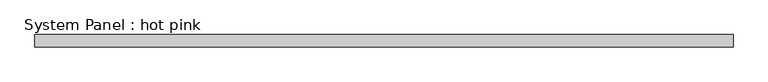
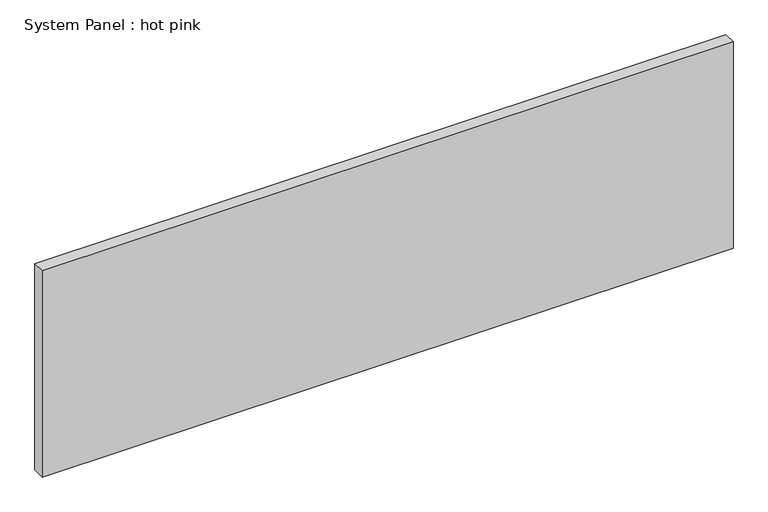
"""IFC4 building model written with IfcOpenShell, lengths in millimetres: plate geometry, System Panel : hot pink."""

from ifc_helpers import new_model, si_unit, origin, origin_with_axes, place, context, project, spatial, polyline, outline, extrude, source, transform, mapped, element, save


def system_panel_hot_pink_741ca0c8(model_context):
    return source(origin(), model_context, "Body", "SweptSolid", [
        extrude(outline(polyline([(1781.175, -44.45), (-1781.175, -44.45), (-1781.175, 19.05), (1781.175, 19.05), (1781.175, -44.45)])), origin_with_axes(), (0.0, 0.0, 1.0), 1123.95),
    ])


if __name__ == "__main__":
    model = new_model("IFC4")
    model_context = context("Model", 3, world=origin())
    ifc_project = project(units=[si_unit("LENGTHUNIT", "METRE", prefix="MILLI")], contexts=[model_context])
    site = spatial("IfcSite", under=ifc_project)
    building = spatial("IfcBuilding", under=site)
    placement = place(None, origin())
    system_panel_hot_pink_shape = system_panel_hot_pink_741ca0c8(model_context)
    element("IfcPlate", 1, ObjectType="System Panel : hot pink", at=placement, inside=building, context=model_context, shape_type="MappedRepresentation", body=[
        mapped(system_panel_hot_pink_shape, transform((0.0, 0.0, 0.0), x_axis=(1.0, 0.0, 0.0), y_axis=(0.0, 1.0, 0.0), z_axis=(0.0, 0.0, 1.0))),
    ])
    save(model, "model.ifc")
